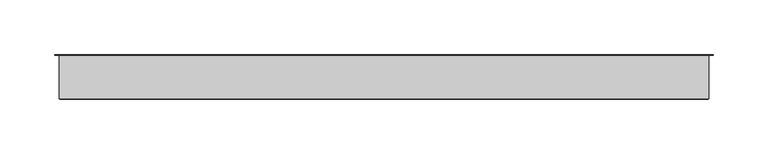
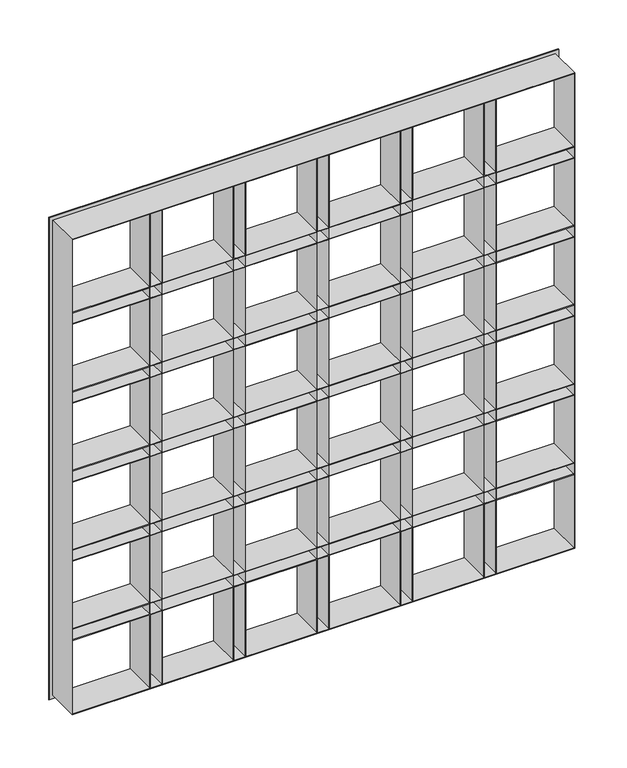
"""IFC4 building model written with IfcOpenShell, lengths in millimetres: plate geometry."""

from ifc_helpers import new_model, si_unit, origin, place, context, project, spatial, faceted_brep, source, transform, mapped, element, save


def plate_1e002559(model_context):
    return source(origin(), model_context, "Body", "Brep", [
        faceted_brep([(-302.2500002, 0.0, -6.0), (-302.2500002, 0.0, 598.5), (302.2500002, 0.0, 598.5), (302.2500002, 0.0, -6.0), (-297.2500002, 0.0, 593.5), (-297.2500002, 0.0, 501.9166667), (-205.6666668, 0.0, 501.9166667), (-205.6666668, 0.0, 593.5), (297.2500002, 0.0, 501.9166667), (297.2500002, 0.0, 593.5), (205.6666668, 0.0, 593.5), (205.6666668, 0.0, 501.9166667), (190.6666668, 0.0, 501.9166667), (190.6666668, 0.0, 593.5), (106.5833334, 0.0, 593.5), (106.5833334, 0.0, 501.9166667), (297.2500002, 0.0, 486.9166667), (205.6666668, 0.0, 486.9166667), (205.6666668, 0.0, 402.8333333), (297.2500002, 0.0, 402.8333333), (205.6666668, 0.0, -1.0), (297.2500002, 0.0, -1.0), (297.2500002, 0.0, 90.5833333), (205.6666668, 0.0, 90.5833333), (297.2500002, 0.0, 387.8333333), (205.6666668, 0.0, 387.8333333), (205.6666668, 0.0, 303.75), (297.2500002, 0.0, 303.75), (-297.2500002, 0.0, 486.9166667), (-297.2500002, 0.0, 402.8333333), (-205.6666668, 0.0, 402.8333333), (-205.6666668, 0.0, 486.9166667), (190.6666668, 0.0, 402.8333333), (190.6666668, 0.0, 486.9166667), (106.5833334, 0.0, 486.9166667), (106.5833334, 0.0, 402.8333333), (297.2500002, 0.0, 288.75), (205.6666668, 0.0, 288.75), (205.6666668, 0.0, 204.6666667), (297.2500002, 0.0, 204.6666667), (-297.2500002, 0.0, 387.8333333), (-297.2500002, 0.0, 303.75), (-205.6666668, 0.0, 303.75), (-205.6666668, 0.0, 387.8333333), (190.6666668, 0.0, 303.75), (190.6666668, 0.0, 387.8333333), (106.5833334, 0.0, 387.8333333), (106.5833334, 0.0, 303.75), (297.2500002, 0.0, 189.6666667), (205.6666668, 0.0, 189.6666667), (205.6666668, 0.0, 105.5833333), (297.2500002, 0.0, 105.5833333), (-297.2500002, 0.0, 288.75), (-297.2500002, 0.0, 204.6666667), (-205.6666668, 0.0, 204.6666667), (-205.6666668, 0.0, 288.75), (190.6666668, 0.0, 204.6666667), (190.6666668, 0.0, 288.75), (106.5833334, 0.0, 288.75), (106.5833334, 0.0, 204.6666667), (-297.2500002, 0.0, 189.6666667), (-297.2500002, 0.0, 105.5833333), (-205.6666668, 0.0, 105.5833333), (-205.6666668, 0.0, 189.6666667), (-297.2500002, 0.0, 90.5833333), (-297.2500002, 0.0, -1.0), (-205.6666668, 0.0, -1.0), (-205.6666668, 0.0, 90.5833333), (190.6666668, 0.0, 105.5833333), (190.6666668, 0.0, 189.6666667), (106.5833334, 0.0, 189.6666667), (106.5833334, 0.0, 105.5833333), (190.6666668, 0.0, -1.0), (190.6666668, 0.0, 90.5833333), (106.5833334, 0.0, 90.5833333), (106.5833334, 0.0, -1.0), (91.5833334, 0.0, 501.9166667), (91.5833334, 0.0, 593.5), (7.5, 0.0, 593.5), (7.5, 0.0, 501.9166667), (91.5833334, 0.0, 402.8333333), (91.5833334, 0.0, 486.9166667), (7.5, 0.0, 486.9166667), (7.5, 0.0, 402.8333333), (91.5833334, 0.0, 303.75), (91.5833334, 0.0, 387.8333333), (7.5, 0.0, 387.8333333), (7.5, 0.0, 303.75), (91.5833334, 0.0, 204.6666667), (91.5833334, 0.0, 288.75), (7.5, 0.0, 288.75), (7.5, 0.0, 204.6666667), (91.5833334, 0.0, 105.5833333), (91.5833334, 0.0, 189.6666667), (7.5, 0.0, 189.6666667), (7.5, 0.0, 105.5833333), (91.5833334, 0.0, -1.0), (91.5833334, 0.0, 90.5833333), (7.5, 0.0, 90.5833333), (7.5, 0.0, -1.0), (-7.5, 0.0, 501.9166667), (-7.5, 0.0, 593.5), (-91.5833334, 0.0, 593.5), (-91.5833334, 0.0, 501.9166667), (-7.5, 0.0, 402.8333333), (-7.5, 0.0, 486.9166667), (-91.5833334, 0.0, 486.9166667), (-91.5833334, 0.0, 402.8333333), (-7.5, 0.0, 303.75), (-7.5, 0.0, 387.8333333), (-91.5833334, 0.0, 387.8333333), (-91.5833334, 0.0, 303.75), (-7.5, 0.0, 204.6666667), (-7.5, 0.0, 288.75), (-91.5833334, 0.0, 288.75), (-91.5833334, 0.0, 204.6666667), (-7.5, 0.0, 105.5833333), (-7.5, 0.0, 189.6666667), (-91.5833334, 0.0, 189.6666667), (-91.5833334, 0.0, 105.5833333), (-7.5, 0.0, -1.0), (-7.5, 0.0, 90.5833333), (-91.5833334, 0.0, 90.5833333), (-91.5833334, 0.0, -1.0), (-190.6666668, 0.0, 105.5833333), (-106.5833334, 0.0, 105.5833333), (-106.5833334, 0.0, 189.6666667), (-190.6666668, 0.0, 189.6666667), (-190.6666668, 0.0, 204.6666667), (-106.5833334, 0.0, 204.6666667), (-106.5833334, 0.0, 288.75), (-190.6666668, 0.0, 288.75), (-190.6666668, 0.0, 303.75), (-106.5833334, 0.0, 303.75), (-106.5833334, 0.0, 387.8333333), (-190.6666668, 0.0, 387.8333333), (-190.6666668, 0.0, 402.8333333), (-106.5833334, 0.0, 402.8333333), (-106.5833334, 0.0, 486.9166667), (-190.6666668, 0.0, 486.9166667), (-190.6666668, 0.0, 501.9166667), (-106.5833334, 0.0, 501.9166667), (-106.5833334, 0.0, 593.5), (-190.6666668, 0.0, 593.5), (-190.6666668, 0.0, -1.0), (-106.5833334, 0.0, -1.0), (-106.5833334, 0.0, 90.5833333), (-190.6666668, 0.0, 90.5833333), (-297.2500002, -40.0, 501.9166667), (-205.6666668, -40.0, 501.9166667), (297.2500002, -40.0, 501.9166667), (205.6666668, -40.0, 501.9166667), (191.4666668, -40.0, 501.9166667), (204.8666668, -40.0, 501.9166667), (204.8666668, -0.8, 501.9166667), (191.4666668, -0.8, 501.9166667), (190.6666668, -40.0, 501.9166667), (106.5833334, -40.0, 501.9166667), (92.3833334, -40.0, 501.9166667), (105.7833334, -40.0, 501.9166667), (105.7833334, -0.8, 501.9166667), (92.3833334, -0.8, 501.9166667), (91.5833334, -40.0, 501.9166667), (7.5, -40.0, 501.9166667), (-6.7, -40.0, 501.9166667), (6.7, -40.0, 501.9166667), (6.7, -0.8, 501.9166667), (-6.7, -0.8, 501.9166667), (-7.5, -40.0, 501.9166667), (-91.5833334, -40.0, 501.9166667), (-204.8666668, -40.0, 501.9166667), (-191.4666668, -40.0, 501.9166667), (-191.4666668, -0.8, 501.9166667), (-204.8666668, -0.8, 501.9166667), (-190.6666668, -40.0, 501.9166667), (-106.5833334, -40.0, 501.9166667), (-105.7833334, -40.0, 501.9166667), (-92.3833334, -40.0, 501.9166667), (-92.3833334, -0.8, 501.9166667), (-105.7833334, -0.8, 501.9166667), (-297.2500002, -40.0, 501.1166667), (-205.6666668, -40.0, 501.1166667), (-205.6666668, -40.0, 487.7166667), (-297.2500002, -40.0, 487.7166667), (-297.2500002, -40.0, 486.9166667), (-205.6666668, -40.0, 486.9166667), (-205.6666668, -40.0, 402.8333333), (-297.2500002, -40.0, 402.8333333), (-297.2500002, -40.0, 402.0333333), (-205.6666668, -40.0, 402.0333333), (-205.6666668, -40.0, 388.6333333), (-297.2500002, -40.0, 388.6333333), (-297.2500002, -40.0, 387.8333333), (-205.6666668, -40.0, 387.8333333), (-205.6666668, -40.0, 303.75), (-297.2500002, -40.0, 303.75), (-297.2500002, -40.0, 302.95), (-205.6666668, -40.0, 302.95), (-205.6666668, -40.0, 289.55), (-297.2500002, -40.0, 289.55), (-297.2500002, -40.0, 288.75), (-205.6666668, -40.0, 288.75), (-205.6666668, -40.0, 204.6666667), (-297.2500002, -40.0, 204.6666667), (-297.2500002, -40.0, 203.8666667), (-205.6666668, -40.0, 203.8666667), (-205.6666668, -40.0, 190.4666667), (-297.2500002, -40.0, 190.4666667), (-297.2500002, -40.0, 189.6666667), (-205.6666668, -40.0, 189.6666667), (-205.6666668, -40.0, 105.5833333), (-297.2500002, -40.0, 105.5833333), (-297.2500002, -40.0, 104.7833333), (-205.6666668, -40.0, 104.7833333), (-205.6666668, -40.0, 91.3833333), (-297.2500002, -40.0, 91.3833333), (-297.2500002, -40.0, 90.5833333), (-205.6666668, -40.0, 90.5833333), (-205.6666668, -40.0, -1.0), (-204.8666668, -40.0, -1.0), (-204.8666668, -40.0, 90.5833333), (-191.4666668, -40.0, 90.5833333), (-191.4666668, -40.0, -1.0), (-190.6666668, -40.0, -1.0), (-190.6666668, -40.0, 90.5833333), (-106.5833334, -40.0, 90.5833333), (-106.5833334, -40.0, -1.0), (-105.7833334, -40.0, -1.0), (-105.7833334, -40.0, 90.5833333), (-92.3833334, -40.0, 90.5833333), (-92.3833334, -40.0, -1.0), (-91.5833334, -40.0, -1.0), (-91.5833334, -40.0, 90.5833333), (-7.5, -40.0, 90.5833333), (-7.5, -40.0, -1.0), (-6.7, -40.0, -1.0), (-6.7, -40.0, 90.5833333), (6.7, -40.0, 90.5833333), (6.7, -40.0, -1.0), (7.5, -40.0, -1.0), (7.5, -40.0, 90.5833333), (91.5833334, -40.0, 90.5833333), (91.5833334, -40.0, -1.0), (92.3833334, -40.0, -1.0), (92.3833334, -40.0, 90.5833333), (105.7833334, -40.0, 90.5833333), (105.7833334, -40.0, -1.0), (106.5833334, -40.0, -1.0), (106.5833334, -40.0, 90.5833333), (190.6666668, -40.0, 90.5833333), (190.6666668, -40.0, -1.0), (191.4666668, -40.0, -1.0), (191.4666668, -40.0, 90.5833333), (204.8666668, -40.0, 90.5833333), (204.8666668, -40.0, -1.0), (205.6666668, -40.0, -1.0), (205.6666668, -40.0, 90.5833333), (297.2500002, -40.0, 90.5833333), (297.2500002, -40.0, 91.3833333), (205.6666668, -40.0, 91.3833333), (205.6666668, -40.0, 104.7833333), (297.2500002, -40.0, 104.7833333), (297.2500002, -40.0, 105.5833333), (205.6666668, -40.0, 105.5833333), (205.6666668, -40.0, 189.6666667), (297.2500002, -40.0, 189.6666667), (297.2500002, -40.0, 190.4666667), (205.6666668, -40.0, 190.4666667), (205.6666668, -40.0, 203.8666667), (297.2500002, -40.0, 203.8666667), (297.2500002, -40.0, 204.6666667), (205.6666668, -40.0, 204.6666667), (205.6666668, -40.0, 288.75), (297.2500002, -40.0, 288.75), (297.2500002, -40.0, 289.55), (205.6666668, -40.0, 289.55), (205.6666668, -40.0, 302.95), (297.2500002, -40.0, 302.95), (297.2500002, -40.0, 303.75), (205.6666668, -40.0, 303.75), (205.6666668, -40.0, 387.8333333), (297.2500002, -40.0, 387.8333333), (297.2500002, -40.0, 388.6333333), (205.6666668, -40.0, 388.6333333), (205.6666668, -40.0, 402.0333333), (297.2500002, -40.0, 402.0333333), (297.2500002, -40.0, 402.8333333), (205.6666668, -40.0, 402.8333333), (205.6666668, -40.0, 486.9166667), (297.2500002, -40.0, 486.9166667), (297.2500002, -40.0, 487.7166667), (205.6666668, -40.0, 487.7166667), (205.6666668, -40.0, 501.1166667), (297.2500002, -40.0, 501.1166667), (205.6666668, -40.0, 593.5), (204.8666668, -40.0, 593.5), (191.4666668, -40.0, 593.5), (190.6666668, -40.0, 593.5), (106.5833334, -40.0, 593.5), (105.7833334, -40.0, 593.5), (92.3833334, -40.0, 593.5), (91.5833334, -40.0, 593.5), (7.5, -40.0, 593.5), (6.7, -40.0, 593.5), (-6.7, -40.0, 593.5), (-7.5, -40.0, 593.5), (-91.5833334, -40.0, 593.5), (-92.3833334, -40.0, 593.5), (-105.7833334, -40.0, 593.5), (-106.5833334, -40.0, 593.5), (-190.6666668, -40.0, 593.5), (-191.4666668, -40.0, 593.5), (-204.8666668, -40.0, 593.5), (-205.6666668, -40.0, 593.5), (191.4666668, -40.0, 501.1166667), (204.8666668, -40.0, 501.1166667), (204.8666668, -40.0, 487.7166667), (191.4666668, -40.0, 487.7166667), (190.6666668, -40.0, 501.1166667), (190.6666668, -40.0, 487.7166667), (106.5833334, -40.0, 487.7166667), (106.5833334, -40.0, 501.1166667), (191.4666668, -40.0, 486.9166667), (204.8666668, -40.0, 486.9166667), (204.8666668, -40.0, 402.8333333), (191.4666668, -40.0, 402.8333333), (204.8666668, -40.0, 402.0333333), (204.8666668, -40.0, 388.6333333), (191.4666668, -40.0, 388.6333333), (191.4666668, -40.0, 402.0333333), (190.6666668, -40.0, 486.9166667), (190.6666668, -40.0, 402.8333333), (106.5833334, -40.0, 402.8333333), (106.5833334, -40.0, 486.9166667), (190.6666668, -40.0, 402.0333333), (190.6666668, -40.0, 388.6333333), (106.5833334, -40.0, 388.6333333), (106.5833334, -40.0, 402.0333333), (191.4666668, -40.0, 387.8333333), (204.8666668, -40.0, 387.8333333), (204.8666668, -40.0, 303.75), (191.4666668, -40.0, 303.75), (190.6666668, -40.0, 387.8333333), (190.6666668, -40.0, 303.75), (106.5833334, -40.0, 303.75), (106.5833334, -40.0, 387.8333333), (190.6666668, -40.0, 302.95), (190.6666668, -40.0, 289.55), (106.5833334, -40.0, 289.55), (106.5833334, -40.0, 302.95), (204.8666668, -40.0, 302.95), (204.8666668, -40.0, 289.55), (191.4666668, -40.0, 289.55), (191.4666668, -40.0, 302.95), (191.4666668, -40.0, 288.75), (204.8666668, -40.0, 288.75), (204.8666668, -40.0, 204.6666667), (191.4666668, -40.0, 204.6666667), (190.6666668, -40.0, 288.75), (190.6666668, -40.0, 204.6666667), (106.5833334, -40.0, 204.6666667), (106.5833334, -40.0, 288.75), (190.6666668, -40.0, 203.8666667), (190.6666668, -40.0, 190.4666667), (106.5833334, -40.0, 190.4666667), (106.5833334, -40.0, 203.8666667), (204.8666668, -40.0, 203.8666667), (204.8666668, -40.0, 190.4666667), (191.4666668, -40.0, 190.4666667), (191.4666668, -40.0, 203.8666667), (191.4666668, -40.0, 189.6666667), (204.8666668, -40.0, 189.6666667), (204.8666668, -40.0, 105.5833333), (191.4666668, -40.0, 105.5833333), (190.6666668, -40.0, 189.6666667), (190.6666668, -40.0, 105.5833333), (106.5833334, -40.0, 105.5833333), (106.5833334, -40.0, 189.6666667), (190.6666668, -40.0, 104.7833333), (190.6666668, -40.0, 91.3833333), (106.5833334, -40.0, 91.3833333), (106.5833334, -40.0, 104.7833333), (204.8666668, -40.0, 104.7833333), (204.8666668, -40.0, 91.3833333), (191.4666668, -40.0, 91.3833333), (191.4666668, -40.0, 104.7833333), (92.3833334, -40.0, 501.1166667), (105.7833334, -40.0, 501.1166667), (105.7833334, -40.0, 487.7166667), (92.3833334, -40.0, 487.7166667), (92.3833334, -40.0, 486.9166667), (105.7833334, -40.0, 486.9166667), (105.7833334, -40.0, 402.8333333), (92.3833334, -40.0, 402.8333333), (92.3833334, -40.0, 402.0333333), (105.7833334, -40.0, 402.0333333), (105.7833334, -40.0, 388.6333333), (92.3833334, -40.0, 388.6333333), (92.3833334, -40.0, 387.8333333), (105.7833334, -40.0, 387.8333333), (105.7833334, -40.0, 303.75), (92.3833334, -40.0, 303.75), (92.3833334, -40.0, 302.95), (105.7833334, -40.0, 302.95), (105.7833334, -40.0, 289.55), (92.3833334, -40.0, 289.55), (92.3833334, -40.0, 288.75), (105.7833334, -40.0, 288.75), (105.7833334, -40.0, 204.6666667), (92.3833334, -40.0, 204.6666667), (92.3833334, -40.0, 203.8666667), (105.7833334, -40.0, 203.8666667), (105.7833334, -40.0, 190.4666667), (92.3833334, -40.0, 190.4666667), (92.3833334, -40.0, 189.6666667), (105.7833334, -40.0, 189.6666667), (105.7833334, -40.0, 105.5833333), (92.3833334, -40.0, 105.5833333), (92.3833334, -40.0, 104.7833333), (105.7833334, -40.0, 104.7833333), (105.7833334, -40.0, 91.3833333), (92.3833334, -40.0, 91.3833333), (91.5833334, -40.0, 501.1166667), (91.5833334, -40.0, 487.7166667), (7.5, -40.0, 487.7166667), (7.5, -40.0, 501.1166667), (91.5833334, -40.0, 486.9166667), (91.5833334, -40.0, 402.8333333), (7.5, -40.0, 402.8333333), (7.5, -40.0, 486.9166667), (91.5833334, -40.0, 402.0333333), (91.5833334, -40.0, 388.6333333), (7.5, -40.0, 388.6333333), (7.5, -40.0, 402.0333333), (91.5833334, -40.0, 387.8333333), (91.5833334, -40.0, 303.75), (7.5, -40.0, 303.75), (7.5, -40.0, 387.8333333), (91.5833334, -40.0, 302.95), (91.5833334, -40.0, 289.55), (7.5, -40.0, 289.55), (7.5, -40.0, 302.95), (91.5833334, -40.0, 288.75), (91.5833334, -40.0, 204.6666667), (7.5, -40.0, 204.6666667), (7.5, -40.0, 288.75), (91.5833334, -40.0, 203.8666667), (91.5833334, -40.0, 190.4666667), (7.5, -40.0, 190.4666667), (7.5, -40.0, 203.8666667), (91.5833334, -40.0, 189.6666667), (91.5833334, -40.0, 105.5833333), (7.5, -40.0, 105.5833333), (7.5, -40.0, 189.6666667), (91.5833334, -40.0, 104.7833333), (91.5833334, -40.0, 91.3833333), (7.5, -40.0, 91.3833333), (7.5, -40.0, 104.7833333), (-6.7, -40.0, 501.1166667), (6.7, -40.0, 501.1166667), (6.7, -40.0, 487.7166667), (-6.7, -40.0, 487.7166667), (-6.7, -40.0, 486.9166667), (6.7, -40.0, 486.9166667), (6.7, -40.0, 402.8333333), (-6.7, -40.0, 402.8333333), (-6.7, -40.0, 402.0333333), (6.7, -40.0, 402.0333333), (6.7, -40.0, 388.6333333), (-6.7, -40.0, 388.6333333), (-6.7, -40.0, 387.8333333), (6.7, -40.0, 387.8333333), (6.7, -40.0, 303.75), (-6.7, -40.0, 303.75), (-6.7, -40.0, 302.95), (6.7, -40.0, 302.95), (6.7, -40.0, 289.55), (-6.7, -40.0, 289.55), (-6.7, -40.0, 288.75), (6.7, -40.0, 288.75), (6.7, -40.0, 204.6666667), (-6.7, -40.0, 204.6666667), (-6.7, -40.0, 203.8666667), (6.7, -40.0, 203.8666667), (6.7, -40.0, 190.4666667), (-6.7, -40.0, 190.4666667), (-6.7, -40.0, 189.6666667), (6.7, -40.0, 189.6666667), (6.7, -40.0, 105.5833333), (-6.7, -40.0, 105.5833333), (-6.7, -40.0, 104.7833333), (6.7, -40.0, 104.7833333), (6.7, -40.0, 91.3833333), (-6.7, -40.0, 91.3833333), (-7.5, -40.0, 501.1166667), (-7.5, -40.0, 487.7166667), (-91.5833334, -40.0, 487.7166667), (-91.5833334, -40.0, 501.1166667), (-7.5, -40.0, 486.9166667), (-7.5, -40.0, 402.8333333), (-91.5833334, -40.0, 402.8333333), (-91.5833334, -40.0, 486.9166667), (-7.5, -40.0, 402.0333333), (-7.5, -40.0, 388.6333333), (-91.5833334, -40.0, 388.6333333), (-91.5833334, -40.0, 402.0333333), (-7.5, -40.0, 387.8333333), (-7.5, -40.0, 303.75), (-91.5833334, -40.0, 303.75), (-91.5833334, -40.0, 387.8333333), (-7.5, -40.0, 302.95), (-7.5, -40.0, 289.55), (-91.5833334, -40.0, 289.55), (-91.5833334, -40.0, 302.95), (-7.5, -40.0, 288.75), (-7.5, -40.0, 204.6666667), (-91.5833334, -40.0, 204.6666667), (-91.5833334, -40.0, 288.75), (-7.5, -40.0, 203.8666667), (-7.5, -40.0, 190.4666667), (-91.5833334, -40.0, 190.4666667), (-91.5833334, -40.0, 203.8666667), (-7.5, -40.0, 189.6666667), (-7.5, -40.0, 105.5833333), (-91.5833334, -40.0, 105.5833333), (-91.5833334, -40.0, 189.6666667), (-7.5, -40.0, 104.7833333), (-7.5, -40.0, 91.3833333), (-91.5833334, -40.0, 91.3833333), (-91.5833334, -40.0, 104.7833333), (-204.8666668, -40.0, 501.1166667), (-191.4666668, -40.0, 501.1166667), (-191.4666668, -40.0, 487.7166667), (-204.8666668, -40.0, 487.7166667), (-204.8666668, -40.0, 486.9166667), (-191.4666668, -40.0, 486.9166667), (-191.4666668, -40.0, 402.8333333), (-204.8666668, -40.0, 402.8333333), (-204.8666668, -40.0, 402.0333333), (-191.4666668, -40.0, 402.0333333), (-191.4666668, -40.0, 388.6333333), (-204.8666668, -40.0, 388.6333333), (-204.8666668, -40.0, 387.8333333), (-191.4666668, -40.0, 387.8333333), (-191.4666668, -40.0, 303.75), (-204.8666668, -40.0, 303.75), (-204.8666668, -40.0, 302.95), (-191.4666668, -40.0, 302.95), (-191.4666668, -40.0, 289.55), (-204.8666668, -40.0, 289.55), (-204.8666668, -40.0, 288.75), (-191.4666668, -40.0, 288.75), (-191.4666668, -40.0, 204.6666667), (-204.8666668, -40.0, 204.6666667), (-204.8666668, -40.0, 203.8666667), (-191.4666668, -40.0, 203.8666667), (-191.4666668, -40.0, 190.4666667), (-204.8666668, -40.0, 190.4666667), (-204.8666668, -40.0, 189.6666667), (-191.4666668, -40.0, 189.6666667), (-191.4666668, -40.0, 105.5833333), (-204.8666668, -40.0, 105.5833333), (-204.8666668, -40.0, 104.7833333), (-191.4666668, -40.0, 104.7833333), (-191.4666668, -40.0, 91.3833333), (-204.8666668, -40.0, 91.3833333), (-190.6666668, -40.0, 501.1166667), (-106.5833334, -40.0, 501.1166667), (-106.5833334, -40.0, 487.7166667), (-190.6666668, -40.0, 487.7166667), (-105.7833334, -40.0, 501.1166667), (-92.3833334, -40.0, 501.1166667), (-92.3833334, -40.0, 487.7166667), (-105.7833334, -40.0, 487.7166667), (-190.6666668, -40.0, 486.9166667), (-106.5833334, -40.0, 486.9166667), (-106.5833334, -40.0, 402.8333333), (-190.6666668, -40.0, 402.8333333), (-105.7833334, -40.0, 486.9166667), (-92.3833334, -40.0, 486.9166667), (-92.3833334, -40.0, 402.8333333), (-105.7833334, -40.0, 402.8333333), (-190.6666668, -40.0, 402.0333333), (-106.5833334, -40.0, 402.0333333), (-106.5833334, -40.0, 388.6333333), (-190.6666668, -40.0, 388.6333333), (-105.7833334, -40.0, 402.0333333), (-92.3833334, -40.0, 402.0333333), (-92.3833334, -40.0, 388.6333333), (-105.7833334, -40.0, 388.6333333), (-190.6666668, -40.0, 387.8333333), (-106.5833334, -40.0, 387.8333333), (-106.5833334, -40.0, 303.75), (-190.6666668, -40.0, 303.75), (-105.7833334, -40.0, 387.8333333), (-92.3833334, -40.0, 387.8333333), (-92.3833334, -40.0, 303.75), (-105.7833334, -40.0, 303.75), (-190.6666668, -40.0, 302.95), (-106.5833334, -40.0, 302.95), (-106.5833334, -40.0, 289.55), (-190.6666668, -40.0, 289.55), (-105.7833334, -40.0, 302.95), (-92.3833334, -40.0, 302.95), (-92.3833334, -40.0, 289.55), (-105.7833334, -40.0, 289.55), (-190.6666668, -40.0, 288.75), (-106.5833334, -40.0, 288.75), (-106.5833334, -40.0, 204.6666667), (-190.6666668, -40.0, 204.6666667), (-105.7833334, -40.0, 288.75), (-92.3833334, -40.0, 288.75), (-92.3833334, -40.0, 204.6666667), (-105.7833334, -40.0, 204.6666667), (-190.6666668, -40.0, 203.8666667), (-106.5833334, -40.0, 203.8666667), (-106.5833334, -40.0, 190.4666667), (-190.6666668, -40.0, 190.4666667), (-105.7833334, -40.0, 203.8666667), (-92.3833334, -40.0, 203.8666667), (-92.3833334, -40.0, 190.4666667), (-105.7833334, -40.0, 190.4666667), (-190.6666668, -40.0, 189.6666667), (-106.5833334, -40.0, 189.6666667), (-106.5833334, -40.0, 105.5833333), (-190.6666668, -40.0, 105.5833333), (-105.7833334, -40.0, 189.6666667), (-92.3833334, -40.0, 189.6666667), (-92.3833334, -40.0, 105.5833333), (-105.7833334, -40.0, 105.5833333), (-190.6666668, -40.0, 104.7833333), (-106.5833334, -40.0, 104.7833333), (-106.5833334, -40.0, 91.3833333), (-190.6666668, -40.0, 91.3833333), (-105.7833334, -40.0, 104.7833333), (-92.3833334, -40.0, 104.7833333), (-92.3833334, -40.0, 91.3833333), (-105.7833334, -40.0, 91.3833333), (191.4666668, -0.8, 501.1166667), (204.8666668, -0.8, 501.1166667), (92.3833334, -0.8, 501.1166667), (105.7833334, -0.8, 501.1166667), (-6.7, -0.8, 501.1166667), (6.7, -0.8, 501.1166667), (-204.8666668, -0.8, 501.1166667), (-191.4666668, -0.8, 501.1166667), (-105.7833334, -0.8, 501.1166667), (-92.3833334, -0.8, 501.1166667), (-297.2500002, -0.8, 501.1166667), (-205.6666668, -0.8, 501.1166667), (297.2500002, -0.8, 501.1166667), (205.6666668, -0.8, 501.1166667), (190.6666668, -0.8, 501.1166667), (106.5833334, -0.8, 501.1166667), (91.5833334, -0.8, 501.1166667), (7.5, -0.8, 501.1166667), (-7.5, -0.8, 501.1166667), (-91.5833334, -0.8, 501.1166667), (-190.6666668, -0.8, 501.1166667), (-106.5833334, -0.8, 501.1166667), (191.4666668, -0.8, 487.7166667), (204.8666668, -0.8, 487.7166667), (92.3833334, -0.8, 487.7166667), (105.7833334, -0.8, 487.7166667), (-6.7, -0.8, 487.7166667), (6.7, -0.8, 487.7166667), (-204.8666668, -0.8, 487.7166667), (-191.4666668, -0.8, 487.7166667), (-105.7833334, -0.8, 487.7166667), (-92.3833334, -0.8, 487.7166667), (-297.2500002, -0.8, 487.7166667), (-205.6666668, -0.8, 487.7166667), (297.2500002, -0.8, 487.7166667), (205.6666668, -0.8, 487.7166667), (190.6666668, -0.8, 487.7166667), (106.5833334, -0.8, 487.7166667), (91.5833334, -0.8, 487.7166667), (7.5, -0.8, 487.7166667), (-7.5, -0.8, 487.7166667), (-91.5833334, -0.8, 487.7166667), (-190.6666668, -0.8, 487.7166667), (-106.5833334, -0.8, 487.7166667), (191.4666668, -0.8, 486.9166667), (204.8666668, -0.8, 486.9166667), (92.3833334, -0.8, 486.9166667), (105.7833334, -0.8, 486.9166667), (-6.7, -0.8, 486.9166667), (6.7, -0.8, 486.9166667), (-204.8666668, -0.8, 486.9166667), (-191.4666668, -0.8, 486.9166667), (-105.7833334, -0.8, 486.9166667), (-92.3833334, -0.8, 486.9166667), (-297.2500002, -40.8, -1.0), (-297.2500002, -0.8, 91.3833333), (-297.2500002, -0.8, 104.7833333), (-297.2500002, -0.8, 190.4666667), (-297.2500002, -0.8, 203.8666667), (-297.2500002, -0.8, 289.55), (-297.2500002, -0.8, 302.95), (-297.2500002, -0.8, 388.6333333), (-297.2500002, -0.8, 402.0333333), (-297.2500002, -40.8, 593.5), (-298.0500002, -0.8, -1.8), (-298.0500002, -40.8, -1.8), (-298.0500002, -40.8, 594.3), (-298.0500002, -0.8, 594.3), (-302.2500002, -0.8, -6.0), (-302.2500002, -0.8, 598.5), (-204.8666668, -0.8, 593.5), (-191.4666668, -0.8, 593.5), (-105.7833334, -0.8, 593.5), (-92.3833334, -0.8, 593.5), (-6.7, -0.8, 593.5), (6.7, -0.8, 593.5), (92.3833334, -0.8, 593.5), (105.7833334, -0.8, 593.5), (191.4666668, -0.8, 593.5), (204.8666668, -0.8, 593.5), (297.2500002, -40.8, 593.5), (298.0500002, -40.8, 594.3), (298.0500002, -0.8, 594.3), (302.2500002, -0.8, 598.5), (297.2500002, -0.8, 402.0333333), (297.2500002, -0.8, 388.6333333), (297.2500002, -0.8, 302.95), (297.2500002, -0.8, 289.55), (297.2500002, -0.8, 203.8666667), (297.2500002, -0.8, 190.4666667), (297.2500002, -0.8, 104.7833333), (297.2500002, -0.8, 91.3833333), (297.2500002, -40.8, -1.0), (298.0500002, -40.8, -1.8), (298.0500002, -0.8, -1.8), (302.2500002, -0.8, -6.0), (204.8666668, -0.8, -1.0), (191.4666668, -0.8, -1.0), (105.7833334, -0.8, -1.0), (92.3833334, -0.8, -1.0), (6.7, -0.8, -1.0), (-6.7, -0.8, -1.0), (-92.3833334, -0.8, -1.0), (-105.7833334, -0.8, -1.0), (-191.4666668, -0.8, -1.0), (-204.8666668, -0.8, -1.0), (190.6666668, -0.8, 402.0333333), (190.6666668, -0.8, 388.6333333), (190.6666668, -0.8, 302.95), (190.6666668, -0.8, 289.55), (190.6666668, -0.8, 203.8666667), (190.6666668, -0.8, 190.4666667), (190.6666668, -0.8, 104.7833333), (190.6666668, -0.8, 91.3833333), (191.4666668, -0.8, 388.6333333), (191.4666668, -0.8, 402.0333333), (191.4666668, -0.8, 289.55), (191.4666668, -0.8, 302.95), (191.4666668, -0.8, 190.4666667), (191.4666668, -0.8, 203.8666667), (191.4666668, -0.8, 91.3833333), (191.4666668, -0.8, 104.7833333), (191.4666668, -0.8, 402.8333333), (191.4666668, -0.8, 90.5833333), (191.4666668, -0.8, 387.8333333), (191.4666668, -0.8, 303.75), (191.4666668, -0.8, 288.75), (191.4666668, -0.8, 204.6666667), (191.4666668, -0.8, 189.6666667), (191.4666668, -0.8, 105.5833333), (204.8666668, -0.8, 402.8333333), (204.8666668, -0.8, 90.5833333), (204.8666668, -0.8, 388.6333333), (204.8666668, -0.8, 402.0333333), (204.8666668, -0.8, 289.55), (204.8666668, -0.8, 302.95), (204.8666668, -0.8, 190.4666667), (204.8666668, -0.8, 203.8666667), (204.8666668, -0.8, 91.3833333), (204.8666668, -0.8, 104.7833333), (204.8666668, -0.8, 387.8333333), (204.8666668, -0.8, 303.75), (204.8666668, -0.8, 288.75), (204.8666668, -0.8, 204.6666667), (204.8666668, -0.8, 189.6666667), (204.8666668, -0.8, 105.5833333), (205.6666668, -0.8, 91.3833333), (205.6666668, -0.8, 104.7833333), (205.6666668, -0.8, 190.4666667), (205.6666668, -0.8, 203.8666667), (205.6666668, -0.8, 289.55), (205.6666668, -0.8, 302.95), (205.6666668, -0.8, 388.6333333), (205.6666668, -0.8, 402.0333333), (105.7833334, -0.8, 402.8333333), (92.3833334, -0.8, 402.8333333), (6.7, -0.8, 402.8333333), (-6.7, -0.8, 402.8333333), (-191.4666668, -0.8, 402.8333333), (-204.8666668, -0.8, 402.8333333), (-92.3833334, -0.8, 402.8333333), (-105.7833334, -0.8, 402.8333333), (92.3833334, -0.8, 402.0333333), (105.7833334, -0.8, 402.0333333), (-6.7, -0.8, 402.0333333), (6.7, -0.8, 402.0333333), (-204.8666668, -0.8, 402.0333333), (-191.4666668, -0.8, 402.0333333), (-105.7833334, -0.8, 402.0333333), (-92.3833334, -0.8, 402.0333333), (-205.6666668, -0.8, 402.0333333), (106.5833334, -0.8, 402.0333333), (91.5833334, -0.8, 402.0333333), (7.5, -0.8, 402.0333333), (-7.5, -0.8, 402.0333333), (-91.5833334, -0.8, 402.0333333), (-190.6666668, -0.8, 402.0333333), (-106.5833334, -0.8, 402.0333333), (-205.6666668, -0.8, 388.6333333), (106.5833334, -0.8, 388.6333333), (92.3833334, -0.8, 388.6333333), (105.7833334, -0.8, 388.6333333), (-6.7, -0.8, 388.6333333), (6.7, -0.8, 388.6333333), (-204.8666668, -0.8, 388.6333333), (-191.4666668, -0.8, 388.6333333), (-105.7833334, -0.8, 388.6333333), (-92.3833334, -0.8, 388.6333333), (91.5833334, -0.8, 388.6333333), (7.5, -0.8, 388.6333333), (-7.5, -0.8, 388.6333333), (-91.5833334, -0.8, 388.6333333), (-190.6666668, -0.8, 388.6333333), (-106.5833334, -0.8, 388.6333333), (92.3833334, -0.8, 387.8333333), (105.7833334, -0.8, 387.8333333), (-6.7, -0.8, 387.8333333), (6.7, -0.8, 387.8333333), (-204.8666668, -0.8, 387.8333333), (-191.4666668, -0.8, 387.8333333), (-105.7833334, -0.8, 387.8333333), (-92.3833334, -0.8, 387.8333333), (105.7833334, -0.8, 303.75), (92.3833334, -0.8, 303.75), (6.7, -0.8, 303.75), (-6.7, -0.8, 303.75), (-191.4666668, -0.8, 303.75), (-204.8666668, -0.8, 303.75), (-92.3833334, -0.8, 303.75), (-105.7833334, -0.8, 303.75), (92.3833334, -0.8, 302.95), (105.7833334, -0.8, 302.95), (-6.7, -0.8, 302.95), (6.7, -0.8, 302.95), (-204.8666668, -0.8, 302.95), (-191.4666668, -0.8, 302.95), (-105.7833334, -0.8, 302.95), (-92.3833334, -0.8, 302.95), (-205.6666668, -0.8, 302.95), (106.5833334, -0.8, 302.95), (91.5833334, -0.8, 302.95), (7.5, -0.8, 302.95), (-7.5, -0.8, 302.95), (-91.5833334, -0.8, 302.95), (-190.6666668, -0.8, 302.95), (-106.5833334, -0.8, 302.95), (-205.6666668, -0.8, 289.55), (106.5833334, -0.8, 289.55), (92.3833334, -0.8, 289.55), (105.7833334, -0.8, 289.55), (-6.7, -0.8, 289.55), (6.7, -0.8, 289.55), (-204.8666668, -0.8, 289.55), (-191.4666668, -0.8, 289.55), (-105.7833334, -0.8, 289.55), (-92.3833334, -0.8, 289.55), (91.5833334, -0.8, 289.55), (7.5, -0.8, 289.55), (-7.5, -0.8, 289.55), (-91.5833334, -0.8, 289.55), (-190.6666668, -0.8, 289.55), (-106.5833334, -0.8, 289.55), (92.3833334, -0.8, 288.75), (105.7833334, -0.8, 288.75), (-6.7, -0.8, 288.75), (6.7, -0.8, 288.75), (-204.8666668, -0.8, 288.75), (-191.4666668, -0.8, 288.75), (-105.7833334, -0.8, 288.75), (-92.3833334, -0.8, 288.75), (105.7833334, -0.8, 204.6666667), (92.3833334, -0.8, 204.6666667), (6.7, -0.8, 204.6666667), (-6.7, -0.8, 204.6666667), (-191.4666668, -0.8, 204.6666667), (-204.8666668, -0.8, 204.6666667), (-92.3833334, -0.8, 204.6666667), (-105.7833334, -0.8, 204.6666667), (92.3833334, -0.8, 203.8666667), (105.7833334, -0.8, 203.8666667), (-6.7, -0.8, 203.8666667), (6.7, -0.8, 203.8666667), (-204.8666668, -0.8, 203.8666667), (-191.4666668, -0.8, 203.8666667), (-105.7833334, -0.8, 203.8666667), (-92.3833334, -0.8, 203.8666667), (-205.6666668, -0.8, 203.8666667), (106.5833334, -0.8, 203.8666667), (91.5833334, -0.8, 203.8666667), (7.5, -0.8, 203.8666667), (-7.5, -0.8, 203.8666667), (-91.5833334, -0.8, 203.8666667), (-190.6666668, -0.8, 203.8666667), (-106.5833334, -0.8, 203.8666667), (-205.6666668, -0.8, 190.4666667), (106.5833334, -0.8, 190.4666667), (92.3833334, -0.8, 190.4666667), (105.7833334, -0.8, 190.4666667), (-6.7, -0.8, 190.4666667), (6.7, -0.8, 190.4666667), (-204.8666668, -0.8, 190.4666667), (-191.4666668, -0.8, 190.4666667), (-105.7833334, -0.8, 190.4666667), (-92.3833334, -0.8, 190.4666667), (91.5833334, -0.8, 190.4666667), (7.5, -0.8, 190.4666667), (-7.5, -0.8, 190.4666667), (-91.5833334, -0.8, 190.4666667), (-190.6666668, -0.8, 190.4666667), (-106.5833334, -0.8, 190.4666667), (92.3833334, -0.8, 189.6666667), (105.7833334, -0.8, 189.6666667), (-6.7, -0.8, 189.6666667), (6.7, -0.8, 189.6666667), (-204.8666668, -0.8, 189.6666667), (-191.4666668, -0.8, 189.6666667), (-105.7833334, -0.8, 189.6666667), (-92.3833334, -0.8, 189.6666667), (105.7833334, -0.8, 105.5833333), (92.3833334, -0.8, 105.5833333), (6.7, -0.8, 105.5833333), (-6.7, -0.8, 105.5833333), (-191.4666668, -0.8, 105.5833333), (-204.8666668, -0.8, 105.5833333), (-92.3833334, -0.8, 105.5833333), (-105.7833334, -0.8, 105.5833333), (92.3833334, -0.8, 104.7833333), (105.7833334, -0.8, 104.7833333), (-6.7, -0.8, 104.7833333), (6.7, -0.8, 104.7833333), (-204.8666668, -0.8, 104.7833333), (-191.4666668, -0.8, 104.7833333), (-105.7833334, -0.8, 104.7833333), (-92.3833334, -0.8, 104.7833333), (-205.6666668, -0.8, 104.7833333), (106.5833334, -0.8, 104.7833333), (91.5833334, -0.8, 104.7833333), (7.5, -0.8, 104.7833333), (-7.5, -0.8, 104.7833333), (-91.5833334, -0.8, 104.7833333), (-190.6666668, -0.8, 104.7833333), (-106.5833334, -0.8, 104.7833333), (-205.6666668, -0.8, 91.3833333), (106.5833334, -0.8, 91.3833333), (92.3833334, -0.8, 91.3833333), (105.7833334, -0.8, 91.3833333), (-6.7, -0.8, 91.3833333), (6.7, -0.8, 91.3833333), (-204.8666668, -0.8, 91.3833333), (-191.4666668, -0.8, 91.3833333), (-105.7833334, -0.8, 91.3833333), (-92.3833334, -0.8, 91.3833333), (91.5833334, -0.8, 91.3833333), (7.5, -0.8, 91.3833333), (-7.5, -0.8, 91.3833333), (-91.5833334, -0.8, 91.3833333), (-190.6666668, -0.8, 91.3833333), (-106.5833334, -0.8, 91.3833333), (-204.8666668, -0.8, 90.5833333), (-191.4666668, -0.8, 90.5833333), (-105.7833334, -0.8, 90.5833333), (-92.3833334, -0.8, 90.5833333), (-6.7, -0.8, 90.5833333), (6.7, -0.8, 90.5833333), (92.3833334, -0.8, 90.5833333), (105.7833334, -0.8, 90.5833333)], [[[0, 1, 2, 3], [4, 5, 6, 7], [8, 9, 10, 11], [12, 13, 14, 15], [16, 17, 18, 19], [20, 21, 22, 23], [24, 25, 26, 27], [28, 29, 30, 31], [32, 33, 34, 35], [36, 37, 38, 39], [40, 41, 42, 43], [44, 45, 46, 47], [48, 49, 50, 51], [52, 53, 54, 55], [56, 57, 58, 59], [60, 61, 62, 63], [64, 65, 66, 67], [68, 69, 70, 71], [72, 73, 74, 75], [76, 77, 78, 79], [80, 81, 82, 83], [84, 85, 86, 87], [88, 89, 90, 91], [92, 93, 94, 95], [96, 97, 98, 99], [100, 101, 102, 103], [104, 105, 106, 107], [108, 109, 110, 111], [112, 113, 114, 115], [116, 117, 118, 119], [120, 121, 122, 123], [124, 125, 126, 127], [128, 129, 130, 131], [132, 133, 134, 135], [136, 137, 138, 139], [140, 141, 142, 143], [144, 145, 146, 147]], [[5, 148, 149, 6]], [[150, 8, 11, 151]], [[152, 153, 154, 155]], [[156, 12, 15, 157]], [[158, 159, 160, 161]], [[162, 76, 79, 163]], [[164, 165, 166, 167]], [[168, 100, 103, 169]], [[170, 171, 172, 173]], [[140, 174, 175, 141]], [[176, 177, 178, 179]], [[148, 180, 181, 182, 183, 184, 185, 186, 187, 188, 189, 190, 191, 192, 193, 194, 195, 196, 197, 198, 199, 200, 201, 202, 203, 204, 205, 206, 207, 208, 209, 210, 211, 212, 213, 214, 215, 216, 217, 218, 219, 220, 221, 222, 223, 224, 225, 226, 227, 228, 229, 230, 231, 232, 233, 234, 235, 236, 237, 238, 239, 240, 241, 242, 243, 244, 245, 246, 247, 248, 249, 250, 251, 252, 253, 254, 255, 256, 257, 258, 259, 260, 261, 262, 263, 264, 265, 266, 267, 268, 269, 270, 271, 272, 273, 274, 275, 276, 277, 278, 279, 280, 281, 282, 283, 284, 285, 286, 287, 288, 289, 290, 291, 292, 293, 150, 151, 294, 295, 153, 152, 296, 297, 156, 157, 298, 299, 159, 158, 300, 301, 162, 163, 302, 303, 165, 164, 304, 305, 168, 169, 306, 307, 177, 176, 308, 309, 175, 174, 310, 311, 171, 170, 312, 313, 149], [314, 315, 316, 317], [318, 319, 320, 321], [322, 323, 324, 325], [326, 327, 328, 329], [330, 331, 332, 333], [334, 335, 336, 337], [338, 339, 340, 341], [342, 343, 344, 345], [346, 347, 348, 349], [350, 351, 352, 353], [354, 355, 356, 357], [358, 359, 360, 361], [362, 363, 364, 365], [366, 367, 368, 369], [370, 371, 372, 373], [374, 375, 376, 377], [378, 379, 380, 381], [382, 383, 384, 385], [386, 387, 388, 389], [390, 391, 392, 393], [394, 395, 396, 397], [398, 399, 400, 401], [402, 403, 404, 405], [406, 407, 408, 409], [410, 411, 412, 413], [414, 415, 416, 417], [418, 419, 420, 421], [422, 423, 424, 425], [426, 427, 428, 429], [430, 431, 432, 433], [434, 435, 436, 437], [438, 439, 440, 441], [442, 443, 444, 445], [446, 447, 448, 449], [450, 451, 452, 453], [454, 455, 456, 457], [458, 459, 460, 461], [462, 463, 464, 465], [466, 467, 468, 469], [470, 471, 472, 473], [474, 475, 476, 477], [478, 479, 480, 481], [482, 483, 484, 485], [486, 487, 488, 489], [490, 491, 492, 493], [494, 495, 496, 497], [498, 499, 500, 501], [502, 503, 504, 505], [506, 507, 508, 509], [510, 511, 512, 513], [514, 515, 516, 517], [518, 519, 520, 521], [522, 523, 524, 525], [526, 527, 528, 529], [530, 531, 532, 533], [534, 535, 536, 537], [538, 539, 540, 541], [542, 543, 544, 545], [546, 547, 548, 549], [550, 551, 552, 553], [554, 555, 556, 557], [558, 559, 560, 561], [562, 563, 564, 565], [566, 567, 568, 569], [570, 571, 572, 573], [574, 575, 576, 577], [578, 579, 580, 581], [582, 583, 584, 585], [586, 587, 588, 589], [590, 591, 592, 593], [594, 595, 596, 597], [598, 599, 600, 601], [602, 603, 604, 605], [606, 607, 608, 609], [610, 611, 612, 613], [614, 615, 616, 617], [618, 619, 620, 621], [622, 623, 624, 625], [626, 627, 628, 629], [630, 631, 632, 633], [634, 635, 636, 637]], [[315, 314, 638, 639]], [[387, 386, 640, 641]], [[459, 458, 642, 643]], [[531, 530, 644, 645]], [[571, 570, 646, 647]], [[180, 648, 649, 181]], [[650, 293, 292, 651]], [[652, 318, 321, 653]], [[654, 422, 425, 655]], [[656, 494, 497, 657]], [[566, 658, 659, 567]], [[639, 638, 660, 661]], [[641, 640, 662, 663]], [[643, 642, 664, 665]], [[645, 644, 666, 667]], [[647, 646, 668, 669]], [[648, 670, 671, 649]], [[672, 650, 651, 673]], [[674, 652, 653, 675]], [[676, 654, 655, 677]], [[678, 656, 657, 679]], [[658, 680, 681, 659]], [[661, 660, 317, 316]], [[663, 662, 389, 388]], [[665, 664, 461, 460]], [[667, 666, 533, 532]], [[669, 668, 573, 572]], [[670, 183, 182, 671]], [[290, 672, 673, 291]], [[319, 674, 675, 320]], [[423, 676, 677, 424]], [[495, 678, 679, 496]], [[680, 569, 568, 681]], [[323, 322, 682, 683]], [[391, 390, 684, 685]], [[463, 462, 686, 687]], [[535, 534, 688, 689]], [[579, 578, 690, 691]], [[184, 28, 31, 185]], [[16, 289, 288, 17]], [[33, 330, 333, 34]], [[81, 426, 429, 82]], [[105, 498, 501, 106]], [[574, 139, 138, 575]], [[692, 65, 64, 216, 215, 693, 694, 212, 211, 61, 60, 208, 207, 695, 696, 204, 203, 53, 52, 200, 199, 697, 698, 196, 195, 41, 40, 192, 191, 699, 700, 188, 187, 29, 28, 184, 183, 670, 648, 180, 148, 5, 4, 701]], [[702, 703, 704, 705]], [[0, 706, 707, 1]], [[701, 4, 7, 313, 312, 708, 709, 311, 310, 143, 142, 309, 308, 710, 711, 307, 306, 102, 101, 305, 304, 712, 713, 303, 302, 78, 77, 301, 300, 714, 715, 299, 298, 14, 13, 297, 296, 716, 717, 295, 294, 10, 9, 718]], [[705, 704, 719, 720]], [[1, 707, 721, 2]], [[718, 9, 8, 150, 293, 650, 672, 290, 289, 16, 19, 286, 285, 722, 723, 282, 281, 24, 27, 278, 277, 724, 725, 274, 273, 36, 39, 270, 269, 726, 727, 266, 265, 48, 51, 262, 261, 728, 729, 258, 257, 22, 21, 730]], [[720, 719, 731, 732]], [[2, 721, 733, 3]], [[65, 692, 730, 21, 20, 255, 254, 734, 735, 251, 250, 72, 75, 247, 246, 736, 737, 243, 242, 96, 99, 239, 238, 738, 739, 235, 234, 120, 123, 231, 230, 740, 741, 227, 226, 145, 144, 223, 222, 742, 743, 219, 218, 66]], [[704, 703, 731, 719], [692, 701, 718, 730]], [[703, 702, 732, 731]], [[707, 706, 733, 721], [702, 705, 720, 732]], [[706, 0, 3, 733]], [[13, 12, 156, 297]], [[319, 318, 652, 674]], [[335, 334, 744, 745]], [[347, 346, 746, 747]], [[363, 362, 748, 749]], [[379, 378, 750, 751]], [[330, 33, 32, 331]], [[72, 250, 249, 73]], [[342, 45, 44, 343]], [[358, 57, 56, 359]], [[374, 69, 68, 375]], [[296, 152, 155, 716]], [[314, 317, 660, 638]], [[329, 328, 752, 753]], [[353, 352, 754, 755]], [[369, 368, 756, 757]], [[385, 384, 758, 759]], [[682, 322, 325, 760]], [[251, 735, 761, 252]], [[762, 338, 341, 763]], [[764, 354, 357, 765]], [[766, 370, 373, 767]], [[683, 682, 760, 768]], [[735, 734, 769, 761]], [[716, 155, 154, 717]], [[753, 752, 770, 771]], [[755, 754, 772, 773]], [[757, 756, 774, 775]], [[759, 758, 776, 777]], [[778, 762, 763, 779]], [[780, 764, 765, 781]], [[782, 766, 767, 783]], [[153, 295, 717, 154]], [[316, 315, 639, 661]], [[327, 326, 771, 770]], [[351, 350, 773, 772]], [[367, 366, 775, 774]], [[383, 382, 777, 776]], [[323, 683, 768, 324]], [[734, 254, 253, 769]], [[339, 778, 779, 340]], [[355, 780, 781, 356]], [[371, 782, 783, 372]], [[11, 10, 294, 151]], [[260, 259, 784, 785]], [[268, 267, 786, 787]], [[276, 275, 788, 789]], [[284, 283, 790, 791]], [[292, 291, 673, 651]], [[17, 288, 287, 18]], [[255, 20, 23, 256]], [[25, 280, 279, 26]], [[37, 272, 271, 38]], [[49, 264, 263, 50]], [[19, 18, 287, 286]], [[325, 324, 768, 760]], [[393, 392, 792, 793]], [[465, 464, 794, 795]], [[537, 536, 796, 797]], [[581, 580, 798, 799]], [[29, 187, 186, 30]], [[331, 32, 35, 332]], [[427, 80, 83, 428]], [[499, 104, 107, 500]], [[136, 577, 576, 137]], [[285, 284, 791, 722]], [[326, 329, 753, 771]], [[395, 394, 800, 801]], [[467, 466, 802, 803]], [[539, 538, 804, 805]], [[587, 586, 806, 807]], [[188, 700, 808, 189]], [[744, 334, 337, 809]], [[810, 430, 433, 811]], [[812, 502, 505, 813]], [[582, 814, 815, 583]], [[700, 699, 816, 808]], [[745, 744, 809, 817]], [[722, 791, 790, 723]], [[801, 800, 818, 819]], [[803, 802, 820, 821]], [[805, 804, 822, 823]], [[807, 806, 824, 825]], [[826, 810, 811, 827]], [[828, 812, 813, 829]], [[814, 830, 831, 815]], [[283, 282, 723, 790]], [[328, 327, 770, 752]], [[699, 191, 190, 816]], [[335, 745, 817, 336]], [[819, 818, 397, 396]], [[821, 820, 469, 468]], [[823, 822, 541, 540]], [[825, 824, 589, 588]], [[431, 826, 827, 432]], [[503, 828, 829, 504]], [[830, 585, 584, 831]], [[25, 24, 281, 280]], [[339, 338, 762, 778]], [[399, 398, 832, 833]], [[471, 470, 834, 835]], [[543, 542, 836, 837]], [[595, 594, 838, 839]], [[192, 40, 43, 193]], [[45, 342, 345, 46]], [[85, 434, 437, 86]], [[109, 506, 509, 110]], [[590, 135, 134, 591]], [[27, 26, 279, 278]], [[341, 340, 779, 763]], [[401, 400, 840, 841]], [[473, 472, 842, 843]], [[545, 544, 844, 845]], [[597, 596, 846, 847]], [[41, 195, 194, 42]], [[343, 44, 47, 344]], [[435, 84, 87, 436]], [[507, 108, 111, 508]], [[132, 593, 592, 133]], [[277, 276, 789, 724]], [[350, 353, 755, 773]], [[403, 402, 848, 849]], [[475, 474, 850, 851]], [[547, 546, 852, 853]], [[603, 602, 854, 855]], [[196, 698, 856, 197]], [[746, 346, 349, 857]], [[858, 438, 441, 859]], [[860, 510, 513, 861]], [[598, 862, 863, 599]], [[698, 697, 864, 856]], [[747, 746, 857, 865]], [[724, 789, 788, 725]], [[849, 848, 866, 867]], [[851, 850, 868, 869]], [[853, 852, 870, 871]], [[855, 854, 872, 873]], [[874, 858, 859, 875]], [[876, 860, 861, 877]], [[862, 878, 879, 863]], [[275, 274, 725, 788]], [[352, 351, 772, 754]], [[697, 199, 198, 864]], [[347, 747, 865, 348]], [[867, 866, 405, 404]], [[869, 868, 477, 476]], [[871, 870, 549, 548]], [[873, 872, 605, 604]], [[439, 874, 875, 440]], [[511, 876, 877, 512]], [[878, 601, 600, 879]], [[37, 36, 273, 272]], [[355, 354, 764, 780]], [[407, 406, 880, 881]], [[479, 478, 882, 883]], [[551, 550, 884, 885]], [[611, 610, 886, 887]], [[200, 52, 55, 201]], [[57, 358, 361, 58]], [[89, 442, 445, 90]], [[113, 514, 517, 114]], [[606, 131, 130, 607]], [[39, 38, 271, 270]], [[357, 356, 781, 765]], [[409, 408, 888, 889]], [[481, 480, 890, 891]], [[553, 552, 892, 893]], [[613, 612, 894, 895]], [[53, 203, 202, 54]], [[359, 56, 59, 360]], [[443, 88, 91, 444]], [[515, 112, 115, 516]], [[128, 609, 608, 129]], [[269, 268, 787, 726]], [[366, 369, 757, 775]], [[411, 410, 896, 897]], [[483, 482, 898, 899]], [[555, 554, 900, 901]], [[619, 618, 902, 903]], [[204, 696, 904, 205]], [[748, 362, 365, 905]], [[906, 446, 449, 907]], [[908, 518, 521, 909]], [[614, 910, 911, 615]], [[696, 695, 912, 904]], [[749, 748, 905, 913]], [[726, 787, 786, 727]], [[897, 896, 914, 915]], [[899, 898, 916, 917]], [[901, 900, 918, 919]], [[903, 902, 920, 921]], [[922, 906, 907, 923]], [[924, 908, 909, 925]], [[910, 926, 927, 911]], [[267, 266, 727, 786]], [[368, 367, 774, 756]], [[695, 207, 206, 912]], [[363, 749, 913, 364]], [[915, 914, 413, 412]], [[917, 916, 485, 484]], [[919, 918, 557, 556]], [[921, 920, 621, 620]], [[447, 922, 923, 448]], [[519, 924, 925, 520]], [[926, 617, 616, 927]], [[49, 48, 265, 264]], [[371, 370, 766, 782]], [[415, 414, 928, 929]], [[487, 486, 930, 931]], [[559, 558, 932, 933]], [[627, 626, 934, 935]], [[208, 60, 63, 209]], [[69, 374, 377, 70]], [[93, 450, 453, 94]], [[117, 522, 525, 118]], [[622, 127, 126, 623]], [[51, 50, 263, 262]], [[373, 372, 783, 767]], [[417, 416, 936, 937]], [[489, 488, 938, 939]], [[561, 560, 940, 941]], [[629, 628, 942, 943]], [[61, 211, 210, 62]], [[375, 68, 71, 376]], [[451, 92, 95, 452]], [[523, 116, 119, 524]], [[124, 625, 624, 125]], [[261, 260, 785, 728]], [[382, 385, 759, 777]], [[419, 418, 944, 945]], [[491, 490, 946, 947]], [[563, 562, 948, 949]], [[635, 634, 950, 951]], [[212, 694, 952, 213]], [[750, 378, 381, 953]], [[954, 454, 457, 955]], [[956, 526, 529, 957]], [[630, 958, 959, 631]], [[694, 693, 960, 952]], [[751, 750, 953, 961]], [[728, 785, 784, 729]], [[945, 944, 962, 963]], [[947, 946, 964, 965]], [[949, 948, 966, 967]], [[951, 950, 968, 969]], [[970, 954, 955, 971]], [[972, 956, 957, 973]], [[958, 974, 975, 959]], [[259, 258, 729, 784]], [[384, 383, 776, 758]], [[693, 215, 214, 960]], [[379, 751, 961, 380]], [[963, 962, 421, 420]], [[965, 964, 493, 492]], [[967, 966, 565, 564]], [[969, 968, 637, 636]], [[455, 970, 971, 456]], [[527, 972, 973, 528]], [[974, 633, 632, 975]], [[23, 22, 257, 256]], [[221, 220, 976, 977]], [[229, 228, 978, 979]], [[237, 236, 980, 981]], [[245, 244, 982, 983]], [[253, 252, 761, 769]], [[216, 64, 67, 217]], [[73, 249, 248, 74]], [[97, 241, 240, 98]], [[121, 233, 232, 122]], [[224, 147, 146, 225]], [[77, 76, 162, 301]], [[81, 80, 427, 426]], [[85, 84, 435, 434]], [[89, 88, 443, 442]], [[93, 92, 451, 450]], [[242, 241, 97, 96]], [[423, 422, 654, 676]], [[431, 430, 810, 826]], [[439, 438, 858, 874]], [[447, 446, 906, 922]], [[455, 454, 954, 970]], [[244, 243, 737, 982]], [[300, 158, 161, 714]], [[386, 389, 662, 640]], [[390, 393, 793, 684]], [[394, 397, 818, 800]], [[398, 401, 841, 832]], [[402, 405, 866, 848]], [[406, 409, 889, 880]], [[410, 413, 914, 896]], [[414, 417, 937, 928]], [[418, 421, 962, 944]], [[714, 161, 160, 715]], [[982, 737, 736, 983]], [[684, 793, 792, 685]], [[832, 841, 840, 833]], [[880, 889, 888, 881]], [[928, 937, 936, 929]], [[246, 245, 983, 736]], [[159, 299, 715, 160]], [[388, 387, 641, 663]], [[392, 391, 685, 792]], [[396, 395, 801, 819]], [[400, 399, 833, 840]], [[404, 403, 849, 867]], [[408, 407, 881, 888]], [[412, 411, 897, 915]], [[416, 415, 929, 936]], [[420, 419, 945, 963]], [[15, 14, 298, 157]], [[35, 34, 333, 332]], [[47, 46, 345, 344]], [[59, 58, 361, 360]], [[71, 70, 377, 376]], [[248, 247, 75, 74]], [[321, 320, 675, 653]], [[337, 336, 817, 809]], [[349, 348, 865, 857]], [[365, 364, 913, 905]], [[381, 380, 961, 953]], [[101, 100, 168, 305]], [[105, 104, 499, 498]], [[109, 108, 507, 506]], [[113, 112, 515, 514]], [[117, 116, 523, 522]], [[234, 233, 121, 120]], [[495, 494, 656, 678]], [[503, 502, 812, 828]], [[511, 510, 860, 876]], [[519, 518, 908, 924]], [[527, 526, 956, 972]], [[236, 235, 739, 980]], [[304, 164, 167, 712]], [[458, 461, 664, 642]], [[462, 465, 795, 686]], [[466, 469, 820, 802]], [[470, 473, 843, 834]], [[474, 477, 868, 850]], [[478, 481, 891, 882]], [[482, 485, 916, 898]], [[486, 489, 939, 930]], [[490, 493, 964, 946]], [[712, 167, 166, 713]], [[980, 739, 738, 981]], [[686, 795, 794, 687]], [[834, 843, 842, 835]], [[882, 891, 890, 883]], [[930, 939, 938, 931]], [[238, 237, 981, 738]], [[165, 303, 713, 166]], [[460, 459, 643, 665]], [[464, 463, 687, 794]], [[468, 467, 803, 821]], [[472, 471, 835, 842]], [[476, 475, 851, 869]], [[480, 479, 883, 890]], [[484, 483, 899, 917]], [[488, 487, 931, 938]], [[492, 491, 947, 965]], [[79, 78, 302, 163]], [[83, 82, 429, 428]], [[87, 86, 437, 436]], [[91, 90, 445, 444]], [[95, 94, 453, 452]], [[240, 239, 99, 98]], [[425, 424, 677, 655]], [[433, 432, 827, 811]], [[441, 440, 875, 859]], [[449, 448, 923, 907]], [[457, 456, 971, 955]], [[7, 6, 149, 313]], [[31, 30, 186, 185]], [[43, 42, 194, 193]], [[55, 54, 202, 201]], [[63, 62, 210, 209]], [[182, 181, 649, 671]], [[190, 189, 808, 816]], [[198, 197, 856, 864]], [[206, 205, 904, 912]], [[214, 213, 952, 960]], [[218, 217, 67, 66]], [[220, 219, 743, 976]], [[312, 170, 173, 708]], [[530, 533, 666, 644]], [[534, 537, 797, 688]], [[538, 541, 822, 804]], [[542, 545, 845, 836]], [[546, 549, 870, 852]], [[550, 553, 893, 884]], [[554, 557, 918, 900]], [[558, 561, 941, 932]], [[562, 565, 966, 948]], [[708, 173, 172, 709]], [[976, 743, 742, 977]], [[688, 797, 796, 689]], [[836, 845, 844, 837]], [[884, 893, 892, 885]], [[932, 941, 940, 933]], [[222, 221, 977, 742]], [[171, 311, 709, 172]], [[532, 531, 645, 667]], [[536, 535, 689, 796]], [[540, 539, 805, 823]], [[544, 543, 837, 844]], [[548, 547, 853, 871]], [[552, 551, 885, 892]], [[556, 555, 901, 919]], [[560, 559, 933, 940]], [[564, 563, 949, 967]], [[124, 127, 622, 625]], [[128, 131, 606, 609]], [[132, 135, 590, 593]], [[136, 139, 574, 577]], [[140, 143, 310, 174]], [[224, 223, 144, 147]], [[566, 569, 680, 658]], [[582, 585, 830, 814]], [[598, 601, 878, 862]], [[614, 617, 926, 910]], [[630, 633, 974, 958]], [[126, 125, 624, 623]], [[130, 129, 608, 607]], [[134, 133, 592, 591]], [[138, 137, 576, 575]], [[142, 141, 175, 309]], [[226, 225, 146, 145]], [[568, 567, 659, 681]], [[584, 583, 815, 831]], [[600, 599, 863, 879]], [[616, 615, 911, 927]], [[632, 631, 959, 975]], [[228, 227, 741, 978]], [[308, 176, 179, 710]], [[570, 573, 668, 646]], [[578, 581, 799, 690]], [[586, 589, 824, 806]], [[594, 597, 847, 838]], [[602, 605, 872, 854]], [[610, 613, 895, 886]], [[618, 621, 920, 902]], [[626, 629, 943, 934]], [[634, 637, 968, 950]], [[710, 179, 178, 711]], [[978, 741, 740, 979]], [[690, 799, 798, 691]], [[838, 847, 846, 839]], [[886, 895, 894, 887]], [[934, 943, 942, 935]], [[230, 229, 979, 740]], [[177, 307, 711, 178]], [[572, 571, 647, 669]], [[580, 579, 691, 798]], [[588, 587, 807, 825]], [[596, 595, 839, 846]], [[604, 603, 855, 873]], [[612, 611, 887, 894]], [[620, 619, 903, 921]], [[628, 627, 935, 942]], [[636, 635, 951, 969]], [[103, 102, 306, 169]], [[107, 106, 501, 500]], [[111, 110, 509, 508]], [[115, 114, 517, 516]], [[119, 118, 525, 524]], [[232, 231, 123, 122]], [[497, 496, 679, 657]], [[505, 504, 829, 813]], [[513, 512, 877, 861]], [[521, 520, 925, 909]], [[529, 528, 973, 957]]]),
    ])


if __name__ == "__main__":
    model = new_model("IFC4")
    model_context = context("Model", 3, world=origin())
    ifc_project = project(units=[si_unit("LENGTHUNIT", "METRE", prefix="MILLI")], contexts=[model_context])
    site = spatial("IfcSite", under=ifc_project)
    building = spatial("IfcBuilding", under=site)
    placement = place(None, origin())
    plate_shape = plate_1e002559(model_context)
    element("IfcPlate", 1, at=placement, inside=building, context=model_context, shape_type="MappedRepresentation", body=[
        mapped(plate_shape, transform((0.0, 0.0, 0.0), x_axis=(1.0, 0.0, 0.0), y_axis=(0.0, 1.0, 0.0), z_axis=(0.0, 0.0, 1.0))),
    ])
    save(model, "model.ifc")
